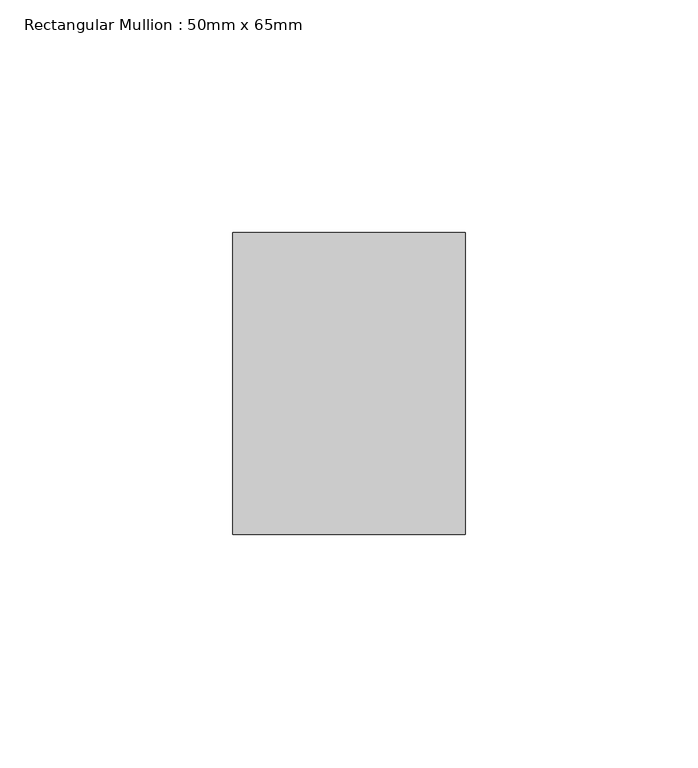
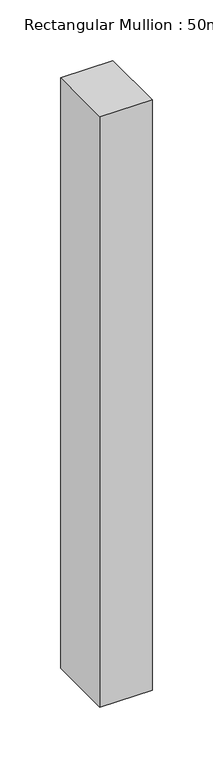
"""IFC4 building model written with IfcOpenShell, lengths in millimetres: member geometry, Rectangular Mullion : 50mm x 65mm."""

from ifc_helpers import new_model, si_unit, frame, origin, place, context, project, spatial, polyline, outline, extrude, source, transform, mapped, element, save


def rectangular_mullion_50mm_x_65mm_2a458f36(model_context):
    return source(origin(), model_context, "Body", "SweptSolid", [
        extrude(outline(polyline([(25.0, 32.5), (25.0, -32.5), (-25.0, -32.5), (-25.0, 32.5), (25.0, 32.5)])), frame((0.0, 0.0, -595.7759599), z_axis=(0.0, 0.0, 1.0), x_axis=(1.0, 0.0, 0.0)), (0.0, 0.0, 1.0), 595.7759599),
    ])


if __name__ == "__main__":
    model = new_model("IFC4")
    model_context = context("Model", 3, world=origin())
    ifc_project = project(units=[si_unit("LENGTHUNIT", "METRE", prefix="MILLI")], contexts=[model_context])
    site = spatial("IfcSite", under=ifc_project)
    building = spatial("IfcBuilding", under=site)
    placement = place(None, origin())
    rectangular_mullion_50mm_x_65mm_shape = rectangular_mullion_50mm_x_65mm_2a458f36(model_context)
    element("IfcMember", 1, ObjectType="Rectangular Mullion : 50mm x 65mm", at=placement, inside=building, context=model_context, shape_type="MappedRepresentation", body=[
        mapped(rectangular_mullion_50mm_x_65mm_shape, transform((0.0, 0.0, 0.0), x_axis=(1.0, 0.0, 0.0), y_axis=(0.0, 1.0, 0.0), z_axis=(0.0, 0.0, 1.0))),
    ])
    save(model, "model.ifc")
